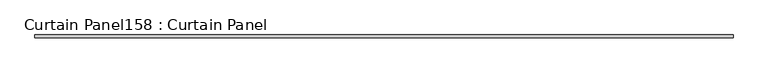
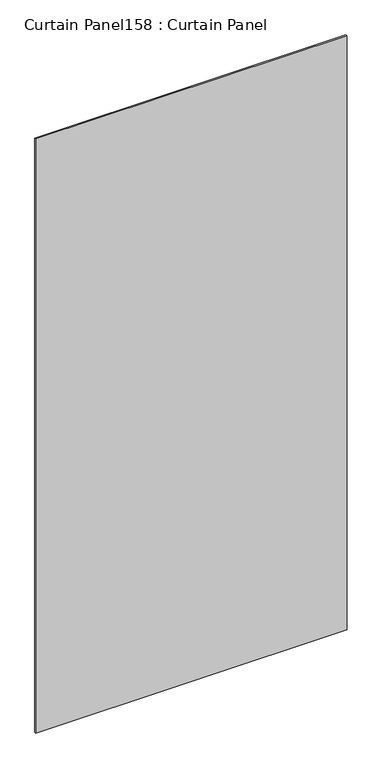
"""IFC4 building model written with IfcOpenShell, lengths in millimetres: plate geometry, Curtain Panel158 : Curtain Panel."""

from ifc_helpers import new_model, si_unit, frame, origin, place, context, project, spatial, polyline, outline, extrude, source, transform, mapped, element, save


def curtain_panel158_curtain_panel_345fa11d(model_context):
    return source(origin(), model_context, "Body", "SweptSolid", [
        extrude(outline(polyline([(425317.8901088, 2235.5339321), (423807.0312536, 2235.5339321), (423807.0312536, 2241.8839321), (425317.8901088, 2241.8839321), (425317.8901088, 2235.5339321)])), frame((0.0, 0.0, 7019.7548754), z_axis=(0.0, 0.0, 1.0), x_axis=(1.0, 0.0, 0.0)), (0.0, 0.0, 1.0), 3048.0),
    ])


if __name__ == "__main__":
    model = new_model("IFC4")
    model_context = context("Model", 3, world=origin())
    ifc_project = project(units=[si_unit("LENGTHUNIT", "METRE", prefix="MILLI")], contexts=[model_context])
    site = spatial("IfcSite", under=ifc_project)
    building = spatial("IfcBuilding", under=site)
    placement = place(None, origin())
    curtain_panel158_curtain_panel_shape = curtain_panel158_curtain_panel_345fa11d(model_context)
    element("IfcPlate", 1, ObjectType="Curtain Panel158 : Curtain Panel", at=placement, inside=building, context=model_context, shape_type="MappedRepresentation", body=[
        mapped(curtain_panel158_curtain_panel_shape, transform((0.0, 0.0, 0.0), x_axis=(1.0, 0.0, 0.0), y_axis=(0.0, 1.0, 0.0), z_axis=(0.0, 0.0, 1.0))),
    ])
    save(model, "model.ifc")
